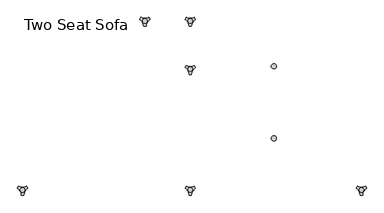
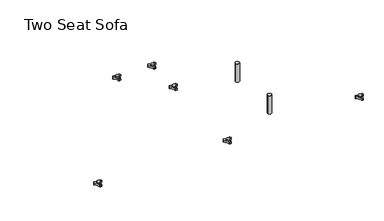
"""IFC4 building model written with IfcOpenShell, lengths in millimetres: furniture geometry, Two Seat Sofa."""

from ifc_helpers import new_model, si_unit, point, frame, frame_2d, origin, origin_with_axes, place, context, project, spatial, polyline, circle_curve, trimmed, segment, composite_curve, outline, extrude, source, transform, mapped, element, save
from ifc_brep_helpers import plane_surface, cylinder_surface, revolved_surface, advanced_brep


def two_seat_sofa_7cf23597(model_context):
    return source(origin(), model_context, "Body", "SolidModel", [
        advanced_brep(
        [(191.4388063, -633.9963447, 98.611642), (187.2162181, -641.3100819, 98.611642), (187.614167, -642.4761133, 98.611642), (203.4334377, -669.8758983, 98.611642), (204.2442712, -670.8035397, 98.611642), (212.6894498, -670.8035397, 98.611642), (213.493978, -669.7137583, 98.611642), (229.5962311, -642.2119553, 98.611642), (229.7175081, -641.3100836, 98.611642), (225.4949182, -633.9963432, 98.611642), (224.2861347, -633.7579584, 98.611642), (192.6475863, -633.7579584, 98.611642), (217.839737, -648.9168654, 98.611642), (198.9347251, -648.9168654, 98.611642), (191.4388063, -633.9963447, 88.6531552), (192.6475863, -633.7579584, 88.6531552), (224.2861347, -633.7579584, 88.6531552), (225.4949182, -633.9963432, 88.6531552), (229.7175081, -641.3100836, 88.6531552), (229.5962311, -642.2119553, 88.6531552), (213.493978, -669.7137583, 88.6531552), (212.6894498, -670.8035397, 88.6531552), (204.2442712, -670.8035397, 88.6531552), (203.4334377, -669.8758983, 88.6531552), (187.614167, -642.4761133, 88.6531552), (187.2162181, -641.3100819, 88.6531552), (198.9347251, -648.9168654, 103.6569541), (217.839737, -648.9168654, 103.6569541)],
        [
            (0, 1, circle_curve(frame((209.6982944, -649.4142898, 98.611642), z_axis=(0.0, 0.0, 1.0), x_axis=(1.0, 0.0, 0.0)), 23.8981576)),
            (1, 2, circle_curve(frame((188.1437767, -641.6444428, 98.611642), z_axis=(0.0, 0.0, 1.0), x_axis=(1.0, 0.0, 0.0)), 0.9859828)),
            (2, 3, circle_curve(frame((169.218797, -671.3632053, 98.611642), z_axis=(0.0, 0.0, -1.0), x_axis=(1.0, 0.0, 0.0)), 34.246952)),
            (3, 4, circle_curve(frame((204.4184811, -669.8330785, 98.611642), z_axis=(0.0, 0.0, 1.0), x_axis=(1.0, 0.0, 0.0)), 0.9859736)),
            (4, 5, circle_curve(frame((208.4668605, -647.2809943, 98.611642), z_axis=(0.0, 0.0, 1.0), x_axis=(1.0, 0.0, 0.0)), 23.8985439)),
            (5, 6, circle_curve(frame((212.5152379, -669.8330671, 98.611642), z_axis=(0.0, 0.0, 1.0), x_axis=(1.0, 0.0, 0.0)), 0.9859852)),
            (6, 7, circle_curve(frame((247.7156517, -671.285662, 98.611642), z_axis=(0.0, 0.0, -1.0), x_axis=(1.0, 0.0, 0.0)), 34.2577557)),
            (7, 8, circle_curve(frame((228.7899467, -641.644442, 98.611642), z_axis=(0.0, 0.0, 1.0), x_axis=(1.0, 0.0, 0.0)), 0.9859847)),
            (8, 9, circle_curve(frame((207.2358178, -649.4140667, 98.611642), z_axis=(0.0, 0.0, 1.0), x_axis=(1.0, 0.0, 0.0)), 23.8977184)),
            (9, 10, circle_curve(frame((224.7415719, -634.632458, 98.611642), z_axis=(0.0, 0.0, 1.0), x_axis=(1.0, 0.0, 0.0)), 0.9859881)),
            (10, 11, circle_curve(frame((208.4668605, -603.3828618, 98.611642), z_axis=(0.0, 0.0, -1.0), x_axis=(1.0, 0.0, 0.0)), 34.2475683)),
            (11, 0, circle_curve(frame((192.1921512, -634.632454, 98.611642), z_axis=(0.0, 0.0, 1.0), x_axis=(1.0, 0.0, 0.0)), 0.9859835)),
            (12, 13, circle_curve(frame((208.3872311, -648.9168654, 98.611642), z_axis=(0.0, 0.0, -1.0), x_axis=(1.0, 0.0, 0.0)), 9.452506)),
            (13, 12, circle_curve(frame((208.3872311, -648.9168654, 98.611642), z_axis=(0.0, 0.0, -1.0), x_axis=(1.0, 0.0, 0.0)), 9.452506)),
            (14, 15, circle_curve(frame((192.1921512, -634.632454, 88.6531552), z_axis=(0.0, 0.0, -1.0), x_axis=(1.0, 0.0, 0.0)), 0.9859835)),
            (15, 16, circle_curve(frame((208.4668605, -603.3828618, 88.6531552), z_axis=(0.0, 0.0, 1.0), x_axis=(1.0, 0.0, 0.0)), 34.2475683)),
            (16, 17, circle_curve(frame((224.7415719, -634.632458, 88.6531552), z_axis=(0.0, 0.0, -1.0), x_axis=(1.0, 0.0, 0.0)), 0.9859881)),
            (17, 18, circle_curve(frame((207.2358178, -649.4140667, 88.6531552), z_axis=(0.0, 0.0, -1.0), x_axis=(1.0, 0.0, 0.0)), 23.8977184)),
            (18, 19, circle_curve(frame((228.7899467, -641.644442, 88.6531552), z_axis=(0.0, 0.0, -1.0), x_axis=(1.0, 0.0, 0.0)), 0.9859847)),
            (19, 20, circle_curve(frame((247.7156517, -671.285662, 88.6531552), z_axis=(0.0, 0.0, 1.0), x_axis=(1.0, 0.0, 0.0)), 34.2577557)),
            (20, 21, circle_curve(frame((212.5152379, -669.8330671, 88.6531552), z_axis=(0.0, 0.0, -1.0), x_axis=(1.0, 0.0, 0.0)), 0.9859852)),
            (21, 22, circle_curve(frame((208.4668605, -647.2809943, 88.6531552), z_axis=(0.0, 0.0, -1.0), x_axis=(1.0, 0.0, 0.0)), 23.8985439)),
            (22, 23, circle_curve(frame((204.4184811, -669.8330785, 88.6531552), z_axis=(0.0, 0.0, -1.0), x_axis=(1.0, 0.0, 0.0)), 0.9859736)),
            (23, 24, circle_curve(frame((169.218797, -671.3632053, 88.6531552), z_axis=(0.0, 0.0, 1.0), x_axis=(1.0, 0.0, 0.0)), 34.246952)),
            (24, 25, circle_curve(frame((188.1437767, -641.6444428, 88.6531552), z_axis=(0.0, 0.0, -1.0), x_axis=(1.0, 0.0, 0.0)), 0.9859828)),
            (25, 14, circle_curve(frame((209.6982944, -649.4142898, 88.6531552), z_axis=(0.0, 0.0, -1.0), x_axis=(1.0, 0.0, 0.0)), 23.8981576)),
            (26, 27, circle_curve(frame((208.3872311, -648.9168654, 103.6569541), z_axis=(0.0, 0.0, 1.0), x_axis=(1.0, 0.0, 0.0)), 9.452506)),
            (27, 26, circle_curve(frame((208.3872311, -648.9168654, 103.6569541), z_axis=(0.0, 0.0, 1.0), x_axis=(1.0, 0.0, 0.0)), 9.452506)),
            (0, 14),
            (25, 1),
            (24, 2),
            (23, 3),
            (22, 4),
            (21, 5),
            (20, 6),
            (19, 7),
            (18, 8),
            (17, 9),
            (16, 10),
            (15, 11),
            (26, 13),
            (12, 27),
        ],
        [
            plane_surface(frame((233.596452, -649.4142898, 98.611642), z_axis=(0.0, 0.0, 1.0), x_axis=(0.0, 1.0, 0.0))),
            plane_surface(frame((233.596452, -649.4142898, 88.6531552), z_axis=(0.0, 0.0, -1.0), x_axis=(0.0, -1.0, 0.0))),
            plane_surface(frame((217.839737, -648.9168654, 103.6569541), z_axis=(0.0, 0.0, 1.0), x_axis=(0.0, 1.0, 0.0))),
            cylinder_surface(frame((209.6982944, -649.4142898, 88.6531552), z_axis=(0.0, 0.0, 1.0), x_axis=(1.0, 0.0, 0.0)), 23.8981576),
            cylinder_surface(frame((188.1437767, -641.6444428, 88.6531552), z_axis=(0.0, 0.0, 1.0), x_axis=(1.0, 0.0, 0.0)), 0.9859828),
            revolved_surface(polyline([(203.465749, -671.3632053, 88.6531552), (203.465749, -671.3632053, 98.611642)]), (169.218797, -671.3632053, 88.6531552), (0.0, 0.0, -1.0)),
            cylinder_surface(frame((204.4184811, -669.8330785, 88.6531552), z_axis=(0.0, 0.0, 1.0), x_axis=(1.0, 0.0, 0.0)), 0.9859736),
            cylinder_surface(frame((208.4668605, -647.2809943, 88.6531552), z_axis=(0.0, 0.0, 1.0), x_axis=(1.0, 0.0, 0.0)), 23.8985439),
            cylinder_surface(frame((212.5152379, -669.8330671, 88.6531552), z_axis=(0.0, 0.0, 1.0), x_axis=(1.0, 0.0, 0.0)), 0.9859852),
            revolved_surface(polyline([(281.9734074, -671.285662, 88.6531552), (281.9734074, -671.285662, 98.611642)]), (247.7156517, -671.285662, 88.6531552), (0.0, 0.0, -1.0)),
            cylinder_surface(frame((228.7899467, -641.644442, 88.6531552), z_axis=(0.0, 0.0, 1.0), x_axis=(1.0, 0.0, 0.0)), 0.9859847),
            cylinder_surface(frame((207.2358178, -649.4140667, 88.6531552), z_axis=(0.0, 0.0, 1.0), x_axis=(1.0, 0.0, 0.0)), 23.8977184),
            cylinder_surface(frame((224.7415719, -634.632458, 88.6531552), z_axis=(0.0, 0.0, 1.0), x_axis=(1.0, 0.0, 0.0)), 0.9859881),
            revolved_surface(polyline([(242.7144288, -603.3828618, 88.6531552), (242.7144288, -603.3828618, 98.611642)]), (208.4668605, -603.3828618, 88.6531552), (0.0, 0.0, -1.0)),
            cylinder_surface(frame((192.1921512, -634.632454, 88.6531552), z_axis=(0.0, 0.0, 1.0), x_axis=(1.0, 0.0, 0.0)), 0.9859835),
            cylinder_surface(frame((208.3872311, -648.9168654, 98.611642), z_axis=(0.0, 0.0, 1.0), x_axis=(1.0, 0.0, 0.0)), 9.452506),
        ],
        [
            (0, [[1, 2, 3, 4, 5, 6, 7, 8, 9, 10, 11, 12], [13, 14]]),
            (1, [[15, 16, 17, 18, 19, 20, 21, 22, 23, 24, 25, 26]]),
            (2, [[27, 28]]),
            (3, [[-1, 29, -26, 30]]),
            (4, [[-2, -30, -25, 31]]),
            (5, [[-3, -31, -24, 32]]),
            (6, [[-4, -32, -23, 33]]),
            (7, [[-5, -33, -22, 34]]),
            (8, [[-6, -34, -21, 35]]),
            (9, [[-7, -35, -20, 36]]),
            (10, [[-8, -36, -19, 37]]),
            (11, [[-9, -37, -18, 38]]),
            (12, [[-10, -38, -17, 39]]),
            (13, [[-11, -39, -16, 40]]),
            (14, [[-12, -40, -15, -29]]),
            (15, [[-27, 41, -13, 42]]),
            (15, [[-28, -42, -14, -41]]),
        ],
    ),
        advanced_brep(
        [(-519.7611937, -633.9963447, 98.611642), (-523.9837819, -641.3100819, 98.611642), (-523.585833, -642.4761133, 98.611642), (-507.7665623, -669.8758983, 98.611642), (-506.9557288, -670.8035397, 98.611642), (-498.5105502, -670.8035397, 98.611642), (-497.706022, -669.7137583, 98.611642), (-481.6037689, -642.2119553, 98.611642), (-481.4824919, -641.3100836, 98.611642), (-485.7050818, -633.9963432, 98.611642), (-486.9138653, -633.7579584, 98.611642), (-518.5524137, -633.7579584, 98.611642), (-493.360263, -648.9168654, 98.611642), (-512.2652749, -648.9168654, 98.611642), (-519.7611937, -633.9963447, 88.6531552), (-518.5524137, -633.7579584, 88.6531552), (-486.9138653, -633.7579584, 88.6531552), (-485.7050818, -633.9963432, 88.6531552), (-481.4824919, -641.3100836, 88.6531552), (-481.6037689, -642.2119553, 88.6531552), (-497.706022, -669.7137583, 88.6531552), (-498.5105502, -670.8035397, 88.6531552), (-506.9557288, -670.8035397, 88.6531552), (-507.7665623, -669.8758983, 88.6531552), (-523.585833, -642.4761133, 88.6531552), (-523.9837819, -641.3100819, 88.6531552), (-512.2652749, -648.9168654, 103.6569541), (-493.360263, -648.9168654, 103.6569541)],
        [
            (0, 1, circle_curve(frame((-501.5017056, -649.4142898, 98.611642), z_axis=(0.0, 0.0, 1.0), x_axis=(1.0, 0.0, 0.0)), 23.8981576)),
            (1, 2, circle_curve(frame((-523.0562233, -641.6444428, 98.611642), z_axis=(0.0, 0.0, 1.0), x_axis=(1.0, 0.0, 0.0)), 0.9859828)),
            (2, 3, circle_curve(frame((-541.981203, -671.3632053, 98.611642), z_axis=(0.0, 0.0, -1.0), x_axis=(1.0, 0.0, 0.0)), 34.246952)),
            (3, 4, circle_curve(frame((-506.7815189, -669.8330785, 98.611642), z_axis=(0.0, 0.0, 1.0), x_axis=(1.0, 0.0, 0.0)), 0.9859736)),
            (4, 5, circle_curve(frame((-502.7331395, -647.2809943, 98.611642), z_axis=(0.0, 0.0, 1.0), x_axis=(1.0, 0.0, 0.0)), 23.8985439)),
            (5, 6, circle_curve(frame((-498.6847621, -669.8330671, 98.611642), z_axis=(0.0, 0.0, 1.0), x_axis=(1.0, 0.0, 0.0)), 0.9859852)),
            (6, 7, circle_curve(frame((-463.4843483, -671.285662, 98.611642), z_axis=(0.0, 0.0, -1.0), x_axis=(1.0, 0.0, 0.0)), 34.2577557)),
            (7, 8, circle_curve(frame((-482.4100533, -641.644442, 98.611642), z_axis=(0.0, 0.0, 1.0), x_axis=(1.0, 0.0, 0.0)), 0.9859847)),
            (8, 9, circle_curve(frame((-503.9641822, -649.4140667, 98.611642), z_axis=(0.0, 0.0, 1.0), x_axis=(1.0, 0.0, 0.0)), 23.8977184)),
            (9, 10, circle_curve(frame((-486.4584281, -634.632458, 98.611642), z_axis=(0.0, 0.0, 1.0), x_axis=(1.0, 0.0, 0.0)), 0.9859881)),
            (10, 11, circle_curve(frame((-502.7331395, -603.3828618, 98.611642), z_axis=(0.0, 0.0, -1.0), x_axis=(1.0, 0.0, 0.0)), 34.2475683)),
            (11, 0, circle_curve(frame((-519.0078488, -634.632454, 98.611642), z_axis=(0.0, 0.0, 1.0), x_axis=(1.0, 0.0, 0.0)), 0.9859835)),
            (12, 13, circle_curve(frame((-502.8127689, -648.9168654, 98.611642), z_axis=(0.0, 0.0, -1.0), x_axis=(1.0, 0.0, 0.0)), 9.452506)),
            (13, 12, circle_curve(frame((-502.8127689, -648.9168654, 98.611642), z_axis=(0.0, 0.0, -1.0), x_axis=(1.0, 0.0, 0.0)), 9.452506)),
            (14, 15, circle_curve(frame((-519.0078488, -634.632454, 88.6531552), z_axis=(0.0, 0.0, -1.0), x_axis=(1.0, 0.0, 0.0)), 0.9859835)),
            (15, 16, circle_curve(frame((-502.7331395, -603.3828618, 88.6531552), z_axis=(0.0, 0.0, 1.0), x_axis=(1.0, 0.0, 0.0)), 34.2475683)),
            (16, 17, circle_curve(frame((-486.4584281, -634.632458, 88.6531552), z_axis=(0.0, 0.0, -1.0), x_axis=(1.0, 0.0, 0.0)), 0.9859881)),
            (17, 18, circle_curve(frame((-503.9641822, -649.4140667, 88.6531552), z_axis=(0.0, 0.0, -1.0), x_axis=(1.0, 0.0, 0.0)), 23.8977184)),
            (18, 19, circle_curve(frame((-482.4100533, -641.644442, 88.6531552), z_axis=(0.0, 0.0, -1.0), x_axis=(1.0, 0.0, 0.0)), 0.9859847)),
            (19, 20, circle_curve(frame((-463.4843483, -671.285662, 88.6531552), z_axis=(0.0, 0.0, 1.0), x_axis=(1.0, 0.0, 0.0)), 34.2577557)),
            (20, 21, circle_curve(frame((-498.6847621, -669.8330671, 88.6531552), z_axis=(0.0, 0.0, -1.0), x_axis=(1.0, 0.0, 0.0)), 0.9859852)),
            (21, 22, circle_curve(frame((-502.7331395, -647.2809943, 88.6531552), z_axis=(0.0, 0.0, -1.0), x_axis=(1.0, 0.0, 0.0)), 23.8985439)),
            (22, 23, circle_curve(frame((-506.7815189, -669.8330785, 88.6531552), z_axis=(0.0, 0.0, -1.0), x_axis=(1.0, 0.0, 0.0)), 0.9859736)),
            (23, 24, circle_curve(frame((-541.981203, -671.3632053, 88.6531552), z_axis=(0.0, 0.0, 1.0), x_axis=(1.0, 0.0, 0.0)), 34.246952)),
            (24, 25, circle_curve(frame((-523.0562233, -641.6444428, 88.6531552), z_axis=(0.0, 0.0, -1.0), x_axis=(1.0, 0.0, 0.0)), 0.9859828)),
            (25, 14, circle_curve(frame((-501.5017056, -649.4142898, 88.6531552), z_axis=(0.0, 0.0, -1.0), x_axis=(1.0, 0.0, 0.0)), 23.8981576)),
            (26, 27, circle_curve(frame((-502.8127689, -648.9168654, 103.6569541), z_axis=(0.0, 0.0, 1.0), x_axis=(1.0, 0.0, 0.0)), 9.452506)),
            (27, 26, circle_curve(frame((-502.8127689, -648.9168654, 103.6569541), z_axis=(0.0, 0.0, 1.0), x_axis=(1.0, 0.0, 0.0)), 9.452506)),
            (0, 14),
            (25, 1),
            (24, 2),
            (23, 3),
            (22, 4),
            (21, 5),
            (20, 6),
            (19, 7),
            (18, 8),
            (17, 9),
            (16, 10),
            (15, 11),
            (26, 13),
            (12, 27),
        ],
        [
            plane_surface(frame((-477.603548, -649.4142898, 98.611642), z_axis=(0.0, 0.0, 1.0), x_axis=(0.0, 1.0, 0.0))),
            plane_surface(frame((-477.603548, -649.4142898, 88.6531552), z_axis=(0.0, 0.0, -1.0), x_axis=(0.0, -1.0, 0.0))),
            plane_surface(frame((-493.360263, -648.9168654, 103.6569541), z_axis=(0.0, 0.0, 1.0), x_axis=(0.0, 1.0, 0.0))),
            cylinder_surface(frame((-501.5017056, -649.4142898, 88.6531552), z_axis=(0.0, 0.0, 1.0), x_axis=(1.0, 0.0, 0.0)), 23.8981576),
            cylinder_surface(frame((-523.0562233, -641.6444428, 88.6531552), z_axis=(0.0, 0.0, 1.0), x_axis=(1.0, 0.0, 0.0)), 0.9859828),
            revolved_surface(polyline([(-507.73425100000003, -671.3632053, 88.6531552), (-507.73425100000003, -671.3632053, 98.611642)]), (-541.981203, -671.3632053, 88.6531552), (0.0, 0.0, -1.0)),
            cylinder_surface(frame((-506.7815189, -669.8330785, 88.6531552), z_axis=(0.0, 0.0, 1.0), x_axis=(1.0, 0.0, 0.0)), 0.9859736),
            cylinder_surface(frame((-502.7331395, -647.2809943, 88.6531552), z_axis=(0.0, 0.0, 1.0), x_axis=(1.0, 0.0, 0.0)), 23.8985439),
            cylinder_surface(frame((-498.6847621, -669.8330671, 88.6531552), z_axis=(0.0, 0.0, 1.0), x_axis=(1.0, 0.0, 0.0)), 0.9859852),
            revolved_surface(polyline([(-429.2265926, -671.285662, 88.6531552), (-429.2265926, -671.285662, 98.611642)]), (-463.4843483, -671.285662, 88.6531552), (0.0, 0.0, -1.0)),
            cylinder_surface(frame((-482.4100533, -641.644442, 88.6531552), z_axis=(0.0, 0.0, 1.0), x_axis=(1.0, 0.0, 0.0)), 0.9859847),
            cylinder_surface(frame((-503.9641822, -649.4140667, 88.6531552), z_axis=(0.0, 0.0, 1.0), x_axis=(1.0, 0.0, 0.0)), 23.8977184),
            cylinder_surface(frame((-486.4584281, -634.632458, 88.6531552), z_axis=(0.0, 0.0, 1.0), x_axis=(1.0, 0.0, 0.0)), 0.9859881),
            revolved_surface(polyline([(-468.4855712, -603.3828618, 88.6531552), (-468.4855712, -603.3828618, 98.611642)]), (-502.7331395, -603.3828618, 88.6531552), (0.0, 0.0, -1.0)),
            cylinder_surface(frame((-519.0078488, -634.632454, 88.6531552), z_axis=(0.0, 0.0, 1.0), x_axis=(1.0, 0.0, 0.0)), 0.9859835),
            cylinder_surface(frame((-502.8127689, -648.9168654, 98.611642), z_axis=(0.0, 0.0, 1.0), x_axis=(1.0, 0.0, 0.0)), 9.452506),
        ],
        [
            (0, [[1, 2, 3, 4, 5, 6, 7, 8, 9, 10, 11, 12], [13, 14]]),
            (1, [[15, 16, 17, 18, 19, 20, 21, 22, 23, 24, 25, 26]]),
            (2, [[27, 28]]),
            (3, [[-1, 29, -26, 30]]),
            (4, [[-2, -30, -25, 31]]),
            (5, [[-3, -31, -24, 32]]),
            (6, [[-4, -32, -23, 33]]),
            (7, [[-5, -33, -22, 34]]),
            (8, [[-6, -34, -21, 35]]),
            (9, [[-7, -35, -20, 36]]),
            (10, [[-8, -36, -19, 37]]),
            (11, [[-9, -37, -18, 38]]),
            (12, [[-10, -38, -17, 39]]),
            (13, [[-11, -39, -16, 40]]),
            (14, [[-12, -40, -15, -29]]),
            (15, [[-27, 41, -13, 42]]),
            (15, [[-28, -42, -14, -41]]),
        ],
    ),
        advanced_brep(
        [(-519.7611937, -130.2721038, 98.611642), (-523.9837819, -137.585841, 98.611642), (-523.585833, -138.7518724, 98.611642), (-507.7665623, -166.1516574, 98.611642), (-506.9557288, -167.0792988, 98.611642), (-498.5105502, -167.0792988, 98.611642), (-497.706022, -165.9895174, 98.611642), (-481.6037689, -138.4877144, 98.611642), (-481.4824919, -137.5858427, 98.611642), (-485.7050818, -130.2721023, 98.611642), (-486.9138653, -130.0337175, 98.611642), (-518.5524137, -130.0337175, 98.611642), (-493.360263, -145.1926245, 98.611642), (-512.2652749, -145.1926245, 98.611642), (-519.7611937, -130.2721038, 88.6531552), (-518.5524137, -130.0337175, 88.6531552), (-486.9138653, -130.0337175, 88.6531552), (-485.7050818, -130.2721023, 88.6531552), (-481.4824919, -137.5858427, 88.6531552), (-481.6037689, -138.4877144, 88.6531552), (-497.706022, -165.9895174, 88.6531552), (-498.5105502, -167.0792988, 88.6531552), (-506.9557288, -167.0792988, 88.6531552), (-507.7665623, -166.1516574, 88.6531552), (-523.585833, -138.7518724, 88.6531552), (-523.9837819, -137.585841, 88.6531552), (-512.2652749, -145.1926245, 103.6569541), (-493.360263, -145.1926245, 103.6569541)],
        [
            (0, 1, circle_curve(frame((-501.5017056, -145.690049, 98.611642), z_axis=(0.0, 0.0, 1.0), x_axis=(1.0, 0.0, 0.0)), 23.8981576)),
            (1, 2, circle_curve(frame((-523.0562233, -137.920202, 98.611642), z_axis=(0.0, 0.0, 1.0), x_axis=(1.0, 0.0, 0.0)), 0.9859828)),
            (2, 3, circle_curve(frame((-541.981203, -167.6389644, 98.611642), z_axis=(0.0, 0.0, -1.0), x_axis=(1.0, 0.0, 0.0)), 34.246952)),
            (3, 4, circle_curve(frame((-506.7815189, -166.1088376, 98.611642), z_axis=(0.0, 0.0, 1.0), x_axis=(1.0, 0.0, 0.0)), 0.9859736)),
            (4, 5, circle_curve(frame((-502.7331395, -143.5567534, 98.611642), z_axis=(0.0, 0.0, 1.0), x_axis=(1.0, 0.0, 0.0)), 23.8985439)),
            (5, 6, circle_curve(frame((-498.6847621, -166.1088262, 98.611642), z_axis=(0.0, 0.0, 1.0), x_axis=(1.0, 0.0, 0.0)), 0.9859852)),
            (6, 7, circle_curve(frame((-463.4843483, -167.5614211, 98.611642), z_axis=(0.0, 0.0, -1.0), x_axis=(1.0, 0.0, 0.0)), 34.2577557)),
            (7, 8, circle_curve(frame((-482.4100533, -137.9202011, 98.611642), z_axis=(0.0, 0.0, 1.0), x_axis=(1.0, 0.0, 0.0)), 0.9859847)),
            (8, 9, circle_curve(frame((-503.9641822, -145.6898258, 98.611642), z_axis=(0.0, 0.0, 1.0), x_axis=(1.0, 0.0, 0.0)), 23.8977184)),
            (9, 10, circle_curve(frame((-486.4584281, -130.9082171, 98.611642), z_axis=(0.0, 0.0, 1.0), x_axis=(1.0, 0.0, 0.0)), 0.9859881)),
            (10, 11, circle_curve(frame((-502.7331395, -99.6586209, 98.611642), z_axis=(0.0, 0.0, -1.0), x_axis=(1.0, 0.0, 0.0)), 34.2475683)),
            (11, 0, circle_curve(frame((-519.0078488, -130.9082131, 98.611642), z_axis=(0.0, 0.0, 1.0), x_axis=(1.0, 0.0, 0.0)), 0.9859835)),
            (12, 13, circle_curve(frame((-502.8127689, -145.1926245, 98.611642), z_axis=(0.0, 0.0, -1.0), x_axis=(1.0, 0.0, 0.0)), 9.452506)),
            (13, 12, circle_curve(frame((-502.8127689, -145.1926245, 98.611642), z_axis=(0.0, 0.0, -1.0), x_axis=(1.0, 0.0, 0.0)), 9.452506)),
            (14, 15, circle_curve(frame((-519.0078488, -130.9082131, 88.6531552), z_axis=(0.0, 0.0, -1.0), x_axis=(1.0, 0.0, 0.0)), 0.9859835)),
            (15, 16, circle_curve(frame((-502.7331395, -99.6586209, 88.6531552), z_axis=(0.0, 0.0, 1.0), x_axis=(1.0, 0.0, 0.0)), 34.2475683)),
            (16, 17, circle_curve(frame((-486.4584281, -130.9082171, 88.6531552), z_axis=(0.0, 0.0, -1.0), x_axis=(1.0, 0.0, 0.0)), 0.9859881)),
            (17, 18, circle_curve(frame((-503.9641822, -145.6898258, 88.6531552), z_axis=(0.0, 0.0, -1.0), x_axis=(1.0, 0.0, 0.0)), 23.8977184)),
            (18, 19, circle_curve(frame((-482.4100533, -137.9202011, 88.6531552), z_axis=(0.0, 0.0, -1.0), x_axis=(1.0, 0.0, 0.0)), 0.9859847)),
            (19, 20, circle_curve(frame((-463.4843483, -167.5614211, 88.6531552), z_axis=(0.0, 0.0, 1.0), x_axis=(1.0, 0.0, 0.0)), 34.2577557)),
            (20, 21, circle_curve(frame((-498.6847621, -166.1088262, 88.6531552), z_axis=(0.0, 0.0, -1.0), x_axis=(1.0, 0.0, 0.0)), 0.9859852)),
            (21, 22, circle_curve(frame((-502.7331395, -143.5567534, 88.6531552), z_axis=(0.0, 0.0, -1.0), x_axis=(1.0, 0.0, 0.0)), 23.8985439)),
            (22, 23, circle_curve(frame((-506.7815189, -166.1088376, 88.6531552), z_axis=(0.0, 0.0, -1.0), x_axis=(1.0, 0.0, 0.0)), 0.9859736)),
            (23, 24, circle_curve(frame((-541.981203, -167.6389644, 88.6531552), z_axis=(0.0, 0.0, 1.0), x_axis=(1.0, 0.0, 0.0)), 34.246952)),
            (24, 25, circle_curve(frame((-523.0562233, -137.920202, 88.6531552), z_axis=(0.0, 0.0, -1.0), x_axis=(1.0, 0.0, 0.0)), 0.9859828)),
            (25, 14, circle_curve(frame((-501.5017056, -145.690049, 88.6531552), z_axis=(0.0, 0.0, -1.0), x_axis=(1.0, 0.0, 0.0)), 23.8981576)),
            (26, 27, circle_curve(frame((-502.8127689, -145.1926245, 103.6569541), z_axis=(0.0, 0.0, 1.0), x_axis=(1.0, 0.0, 0.0)), 9.452506)),
            (27, 26, circle_curve(frame((-502.8127689, -145.1926245, 103.6569541), z_axis=(0.0, 0.0, 1.0), x_axis=(1.0, 0.0, 0.0)), 9.452506)),
            (0, 14),
            (25, 1),
            (24, 2),
            (23, 3),
            (22, 4),
            (21, 5),
            (20, 6),
            (19, 7),
            (18, 8),
            (17, 9),
            (16, 10),
            (15, 11),
            (26, 13),
            (12, 27),
        ],
        [
            plane_surface(frame((-477.603548, -145.690049, 98.611642), z_axis=(0.0, 0.0, 1.0), x_axis=(0.0, 1.0, 0.0))),
            plane_surface(frame((-477.603548, -145.690049, 88.6531552), z_axis=(0.0, 0.0, -1.0), x_axis=(0.0, -1.0, 0.0))),
            plane_surface(frame((-493.360263, -145.1926245, 103.6569541), z_axis=(0.0, 0.0, 1.0), x_axis=(0.0, 1.0, 0.0))),
            cylinder_surface(frame((-501.5017056, -145.690049, 88.6531552), z_axis=(0.0, 0.0, 1.0), x_axis=(1.0, 0.0, 0.0)), 23.8981576),
            cylinder_surface(frame((-523.0562233, -137.920202, 88.6531552), z_axis=(0.0, 0.0, 1.0), x_axis=(1.0, 0.0, 0.0)), 0.9859828),
            revolved_surface(polyline([(-507.73425100000003, -167.6389644, 88.6531552), (-507.73425100000003, -167.6389644, 98.611642)]), (-541.981203, -167.6389644, 88.6531552), (0.0, 0.0, -1.0)),
            cylinder_surface(frame((-506.7815189, -166.1088376, 88.6531552), z_axis=(0.0, 0.0, 1.0), x_axis=(1.0, 0.0, 0.0)), 0.9859736),
            cylinder_surface(frame((-502.7331395, -143.5567534, 88.6531552), z_axis=(0.0, 0.0, 1.0), x_axis=(1.0, 0.0, 0.0)), 23.8985439),
            cylinder_surface(frame((-498.6847621, -166.1088262, 88.6531552), z_axis=(0.0, 0.0, 1.0), x_axis=(1.0, 0.0, 0.0)), 0.9859852),
            revolved_surface(polyline([(-429.2265926, -167.5614211, 88.6531552), (-429.2265926, -167.5614211, 98.611642)]), (-463.4843483, -167.5614211, 88.6531552), (0.0, 0.0, -1.0)),
            cylinder_surface(frame((-482.4100533, -137.9202011, 88.6531552), z_axis=(0.0, 0.0, 1.0), x_axis=(1.0, 0.0, 0.0)), 0.9859847),
            cylinder_surface(frame((-503.9641822, -145.6898258, 88.6531552), z_axis=(0.0, 0.0, 1.0), x_axis=(1.0, 0.0, 0.0)), 23.8977184),
            cylinder_surface(frame((-486.4584281, -130.9082171, 88.6531552), z_axis=(0.0, 0.0, 1.0), x_axis=(1.0, 0.0, 0.0)), 0.9859881),
            revolved_surface(polyline([(-468.4855712, -99.6586209, 88.6531552), (-468.4855712, -99.6586209, 98.611642)]), (-502.7331395, -99.6586209, 88.6531552), (0.0, 0.0, -1.0)),
            cylinder_surface(frame((-519.0078488, -130.9082131, 88.6531552), z_axis=(0.0, 0.0, 1.0), x_axis=(1.0, 0.0, 0.0)), 0.9859835),
            cylinder_surface(frame((-502.8127689, -145.1926245, 98.611642), z_axis=(0.0, 0.0, 1.0), x_axis=(1.0, 0.0, 0.0)), 9.452506),
        ],
        [
            (0, [[1, 2, 3, 4, 5, 6, 7, 8, 9, 10, 11, 12], [13, 14]]),
            (1, [[15, 16, 17, 18, 19, 20, 21, 22, 23, 24, 25, 26]]),
            (2, [[27, 28]]),
            (3, [[-1, 29, -26, 30]]),
            (4, [[-2, -30, -25, 31]]),
            (5, [[-3, -31, -24, 32]]),
            (6, [[-4, -32, -23, 33]]),
            (7, [[-5, -33, -22, 34]]),
            (8, [[-6, -34, -21, 35]]),
            (9, [[-7, -35, -20, 36]]),
            (10, [[-8, -36, -19, 37]]),
            (11, [[-9, -37, -18, 38]]),
            (12, [[-10, -38, -17, 39]]),
            (13, [[-11, -39, -16, 40]]),
            (14, [[-12, -40, -15, -29]]),
            (15, [[-27, 41, -13, 42]]),
            (15, [[-28, -42, -14, -41]]),
        ],
    ),
        advanced_brep(
        [(-519.7611937, 69.7278978, 98.611642), (-523.9837819, 62.4141605, 98.611642), (-523.585833, 61.2481292, 98.611642), (-507.7665623, 33.8483441, 98.611642), (-506.9557288, 32.9207027, 98.611642), (-498.5105502, 32.9207027, 98.611642), (-497.706022, 34.0104841, 98.611642), (-481.6037689, 61.5122871, 98.611642), (-481.4824919, 62.4141588, 98.611642), (-485.7050818, 69.7278992, 98.611642), (-486.9138653, 69.966284, 98.611642), (-518.5524137, 69.966284, 98.611642), (-493.360263, 54.807377, 98.611642), (-512.2652749, 54.807377, 98.611642), (-519.7611937, 69.7278978, 88.6531552), (-518.5524137, 69.966284, 88.6531552), (-486.9138653, 69.966284, 88.6531552), (-485.7050818, 69.7278992, 88.6531552), (-481.4824919, 62.4141588, 88.6531552), (-481.6037689, 61.5122871, 88.6531552), (-497.706022, 34.0104841, 88.6531552), (-498.5105502, 32.9207027, 88.6531552), (-506.9557288, 32.9207027, 88.6531552), (-507.7665623, 33.8483441, 88.6531552), (-523.585833, 61.2481292, 88.6531552), (-523.9837819, 62.4141605, 88.6531552), (-512.2652749, 54.807377, 103.6569541), (-493.360263, 54.807377, 103.6569541)],
        [
            (0, 1, circle_curve(frame((-501.5017056, 54.3099526, 98.611642), z_axis=(0.0, 0.0, 1.0), x_axis=(1.0, 0.0, 0.0)), 23.8981576)),
            (1, 2, circle_curve(frame((-523.0562233, 62.0797996, 98.611642), z_axis=(0.0, 0.0, 1.0), x_axis=(1.0, 0.0, 0.0)), 0.9859828)),
            (2, 3, circle_curve(frame((-541.981203, 32.3610372, 98.611642), z_axis=(0.0, 0.0, -1.0), x_axis=(1.0, 0.0, 0.0)), 34.246952)),
            (3, 4, circle_curve(frame((-506.7815189, 33.8911639, 98.611642), z_axis=(0.0, 0.0, 1.0), x_axis=(1.0, 0.0, 0.0)), 0.9859736)),
            (4, 5, circle_curve(frame((-502.7331395, 56.4432481, 98.611642), z_axis=(0.0, 0.0, 1.0), x_axis=(1.0, 0.0, 0.0)), 23.8985439)),
            (5, 6, circle_curve(frame((-498.6847621, 33.8911753, 98.611642), z_axis=(0.0, 0.0, 1.0), x_axis=(1.0, 0.0, 0.0)), 0.9859852)),
            (6, 7, circle_curve(frame((-463.4843483, 32.4385804, 98.611642), z_axis=(0.0, 0.0, -1.0), x_axis=(1.0, 0.0, 0.0)), 34.2577557)),
            (7, 8, circle_curve(frame((-482.4100533, 62.0798004, 98.611642), z_axis=(0.0, 0.0, 1.0), x_axis=(1.0, 0.0, 0.0)), 0.9859847)),
            (8, 9, circle_curve(frame((-503.9641822, 54.3101757, 98.611642), z_axis=(0.0, 0.0, 1.0), x_axis=(1.0, 0.0, 0.0)), 23.8977184)),
            (9, 10, circle_curve(frame((-486.4584281, 69.0917844, 98.611642), z_axis=(0.0, 0.0, 1.0), x_axis=(1.0, 0.0, 0.0)), 0.9859881)),
            (10, 11, circle_curve(frame((-502.7331395, 100.3413806, 98.611642), z_axis=(0.0, 0.0, -1.0), x_axis=(1.0, 0.0, 0.0)), 34.2475683)),
            (11, 0, circle_curve(frame((-519.0078488, 69.0917885, 98.611642), z_axis=(0.0, 0.0, 1.0), x_axis=(1.0, 0.0, 0.0)), 0.9859835)),
            (12, 13, circle_curve(frame((-502.8127689, 54.807377, 98.611642), z_axis=(0.0, 0.0, -1.0), x_axis=(1.0, 0.0, 0.0)), 9.452506)),
            (13, 12, circle_curve(frame((-502.8127689, 54.807377, 98.611642), z_axis=(0.0, 0.0, -1.0), x_axis=(1.0, 0.0, 0.0)), 9.452506)),
            (14, 15, circle_curve(frame((-519.0078488, 69.0917885, 88.6531552), z_axis=(0.0, 0.0, -1.0), x_axis=(1.0, 0.0, 0.0)), 0.9859835)),
            (15, 16, circle_curve(frame((-502.7331395, 100.3413806, 88.6531552), z_axis=(0.0, 0.0, 1.0), x_axis=(1.0, 0.0, 0.0)), 34.2475683)),
            (16, 17, circle_curve(frame((-486.4584281, 69.0917844, 88.6531552), z_axis=(0.0, 0.0, -1.0), x_axis=(1.0, 0.0, 0.0)), 0.9859881)),
            (17, 18, circle_curve(frame((-503.9641822, 54.3101757, 88.6531552), z_axis=(0.0, 0.0, -1.0), x_axis=(1.0, 0.0, 0.0)), 23.8977184)),
            (18, 19, circle_curve(frame((-482.4100533, 62.0798004, 88.6531552), z_axis=(0.0, 0.0, -1.0), x_axis=(1.0, 0.0, 0.0)), 0.9859847)),
            (19, 20, circle_curve(frame((-463.4843483, 32.4385804, 88.6531552), z_axis=(0.0, 0.0, 1.0), x_axis=(1.0, 0.0, 0.0)), 34.2577557)),
            (20, 21, circle_curve(frame((-498.6847621, 33.8911753, 88.6531552), z_axis=(0.0, 0.0, -1.0), x_axis=(1.0, 0.0, 0.0)), 0.9859852)),
            (21, 22, circle_curve(frame((-502.7331395, 56.4432481, 88.6531552), z_axis=(0.0, 0.0, -1.0), x_axis=(1.0, 0.0, 0.0)), 23.8985439)),
            (22, 23, circle_curve(frame((-506.7815189, 33.8911639, 88.6531552), z_axis=(0.0, 0.0, -1.0), x_axis=(1.0, 0.0, 0.0)), 0.9859736)),
            (23, 24, circle_curve(frame((-541.981203, 32.3610372, 88.6531552), z_axis=(0.0, 0.0, 1.0), x_axis=(1.0, 0.0, 0.0)), 34.246952)),
            (24, 25, circle_curve(frame((-523.0562233, 62.0797996, 88.6531552), z_axis=(0.0, 0.0, -1.0), x_axis=(1.0, 0.0, 0.0)), 0.9859828)),
            (25, 14, circle_curve(frame((-501.5017056, 54.3099526, 88.6531552), z_axis=(0.0, 0.0, -1.0), x_axis=(1.0, 0.0, 0.0)), 23.8981576)),
            (26, 27, circle_curve(frame((-502.8127689, 54.807377, 103.6569541), z_axis=(0.0, 0.0, 1.0), x_axis=(1.0, 0.0, 0.0)), 9.452506)),
            (27, 26, circle_curve(frame((-502.8127689, 54.807377, 103.6569541), z_axis=(0.0, 0.0, 1.0), x_axis=(1.0, 0.0, 0.0)), 9.452506)),
            (0, 14),
            (25, 1),
            (24, 2),
            (23, 3),
            (22, 4),
            (21, 5),
            (20, 6),
            (19, 7),
            (18, 8),
            (17, 9),
            (16, 10),
            (15, 11),
            (26, 13),
            (12, 27),
        ],
        [
            plane_surface(frame((-477.603548, 54.3099526, 98.611642), z_axis=(0.0, 0.0, 1.0), x_axis=(0.0, 1.0, 0.0))),
            plane_surface(frame((-477.603548, 54.3099526, 88.6531552), z_axis=(0.0, 0.0, -1.0), x_axis=(0.0, -1.0, 0.0))),
            plane_surface(frame((-493.360263, 54.807377, 103.6569541), z_axis=(0.0, 0.0, 1.0), x_axis=(0.0, 1.0, 0.0))),
            cylinder_surface(frame((-501.5017056, 54.3099526, 88.6531552), z_axis=(0.0, 0.0, 1.0), x_axis=(1.0, 0.0, 0.0)), 23.8981576),
            cylinder_surface(frame((-523.0562233, 62.0797996, 88.6531552), z_axis=(0.0, 0.0, 1.0), x_axis=(1.0, 0.0, 0.0)), 0.9859828),
            revolved_surface(polyline([(-507.73425100000003, 32.3610372, 88.6531552), (-507.73425100000003, 32.3610372, 98.611642)]), (-541.981203, 32.3610372, 88.6531552), (0.0, 0.0, -1.0)),
            cylinder_surface(frame((-506.7815189, 33.8911639, 88.6531552), z_axis=(0.0, 0.0, 1.0), x_axis=(1.0, 0.0, 0.0)), 0.9859736),
            cylinder_surface(frame((-502.7331395, 56.4432481, 88.6531552), z_axis=(0.0, 0.0, 1.0), x_axis=(1.0, 0.0, 0.0)), 23.8985439),
            cylinder_surface(frame((-498.6847621, 33.8911753, 88.6531552), z_axis=(0.0, 0.0, 1.0), x_axis=(1.0, 0.0, 0.0)), 0.9859852),
            revolved_surface(polyline([(-429.2265926, 32.4385804, 88.6531552), (-429.2265926, 32.4385804, 98.611642)]), (-463.4843483, 32.4385804, 88.6531552), (0.0, 0.0, -1.0)),
            cylinder_surface(frame((-482.4100533, 62.0798004, 88.6531552), z_axis=(0.0, 0.0, 1.0), x_axis=(1.0, 0.0, 0.0)), 0.9859847),
            cylinder_surface(frame((-503.9641822, 54.3101757, 88.6531552), z_axis=(0.0, 0.0, 1.0), x_axis=(1.0, 0.0, 0.0)), 23.8977184),
            cylinder_surface(frame((-486.4584281, 69.0917844, 88.6531552), z_axis=(0.0, 0.0, 1.0), x_axis=(1.0, 0.0, 0.0)), 0.9859881),
            revolved_surface(polyline([(-468.4855712, 100.3413806, 88.6531552), (-468.4855712, 100.3413806, 98.611642)]), (-502.7331395, 100.3413806, 88.6531552), (0.0, 0.0, -1.0)),
            cylinder_surface(frame((-519.0078488, 69.0917885, 88.6531552), z_axis=(0.0, 0.0, 1.0), x_axis=(1.0, 0.0, 0.0)), 0.9859835),
            cylinder_surface(frame((-502.8127689, 54.807377, 98.611642), z_axis=(0.0, 0.0, 1.0), x_axis=(1.0, 0.0, 0.0)), 9.452506),
        ],
        [
            (0, [[1, 2, 3, 4, 5, 6, 7, 8, 9, 10, 11, 12], [13, 14]]),
            (1, [[15, 16, 17, 18, 19, 20, 21, 22, 23, 24, 25, 26]]),
            (2, [[27, 28]]),
            (3, [[-1, 29, -26, 30]]),
            (4, [[-2, -30, -25, 31]]),
            (5, [[-3, -31, -24, 32]]),
            (6, [[-4, -32, -23, 33]]),
            (7, [[-5, -33, -22, 34]]),
            (8, [[-6, -34, -21, 35]]),
            (9, [[-7, -35, -20, 36]]),
            (10, [[-8, -36, -19, 37]]),
            (11, [[-9, -37, -18, 38]]),
            (12, [[-10, -38, -17, 39]]),
            (13, [[-11, -39, -16, 40]]),
            (14, [[-12, -40, -15, -29]]),
            (15, [[-27, 41, -13, 42]]),
            (15, [[-28, -42, -14, -41]]),
        ],
    ),
        advanced_brep(
        [(-708.6567178, 69.7278978, 98.611642), (-712.879306, 62.4141605, 98.611642), (-712.4813572, 61.2481292, 98.611642), (-696.6620864, 33.8483441, 98.611642), (-695.8512529, 32.9207027, 98.611642), (-687.4060744, 32.9207027, 98.611642), (-686.6015461, 34.0104841, 98.611642), (-670.4992931, 61.5122871, 98.611642), (-670.378016, 62.4141588, 98.611642), (-674.600606, 69.7278992, 98.611642), (-675.8093894, 69.966284, 98.611642), (-707.4479379, 69.966284, 98.611642), (-682.2557871, 54.807377, 98.611642), (-701.160799, 54.807377, 98.611642), (-708.6567178, 69.7278978, 88.6531552), (-707.4479379, 69.966284, 88.6531552), (-675.8093894, 69.966284, 88.6531552), (-674.600606, 69.7278992, 88.6531552), (-670.378016, 62.4141588, 88.6531552), (-670.4992931, 61.5122871, 88.6531552), (-686.6015461, 34.0104841, 88.6531552), (-687.4060744, 32.9207027, 88.6531552), (-695.8512529, 32.9207027, 88.6531552), (-696.6620864, 33.8483441, 88.6531552), (-712.4813572, 61.2481292, 88.6531552), (-712.879306, 62.4141605, 88.6531552), (-701.160799, 54.807377, 103.6569541), (-682.2557871, 54.807377, 103.6569541)],
        [
            (0, 1, circle_curve(frame((-690.3972298, 54.3099526, 98.611642), z_axis=(0.0, 0.0, 1.0), x_axis=(1.0, 0.0, 0.0)), 23.8981576)),
            (1, 2, circle_curve(frame((-711.9517474, 62.0797996, 98.611642), z_axis=(0.0, 0.0, 1.0), x_axis=(1.0, 0.0, 0.0)), 0.9859828)),
            (2, 3, circle_curve(frame((-730.8767271, 32.3610372, 98.611642), z_axis=(0.0, 0.0, -1.0), x_axis=(1.0, 0.0, 0.0)), 34.246952)),
            (3, 4, circle_curve(frame((-695.6770431, 33.8911639, 98.611642), z_axis=(0.0, 0.0, 1.0), x_axis=(1.0, 0.0, 0.0)), 0.9859736)),
            (4, 5, circle_curve(frame((-691.6286636, 56.4432481, 98.611642), z_axis=(0.0, 0.0, 1.0), x_axis=(1.0, 0.0, 0.0)), 23.8985439)),
            (5, 6, circle_curve(frame((-687.5802862, 33.8911753, 98.611642), z_axis=(0.0, 0.0, 1.0), x_axis=(1.0, 0.0, 0.0)), 0.9859852)),
            (6, 7, circle_curve(frame((-652.3798725, 32.4385804, 98.611642), z_axis=(0.0, 0.0, -1.0), x_axis=(1.0, 0.0, 0.0)), 34.2577557)),
            (7, 8, circle_curve(frame((-671.3055775, 62.0798004, 98.611642), z_axis=(0.0, 0.0, 1.0), x_axis=(1.0, 0.0, 0.0)), 0.9859847)),
            (8, 9, circle_curve(frame((-692.8597064, 54.3101757, 98.611642), z_axis=(0.0, 0.0, 1.0), x_axis=(1.0, 0.0, 0.0)), 23.8977184)),
            (9, 10, circle_curve(frame((-675.3539522, 69.0917844, 98.611642), z_axis=(0.0, 0.0, 1.0), x_axis=(1.0, 0.0, 0.0)), 0.9859881)),
            (10, 11, circle_curve(frame((-691.6286636, 100.3413806, 98.611642), z_axis=(0.0, 0.0, -1.0), x_axis=(1.0, 0.0, 0.0)), 34.2475683)),
            (11, 0, circle_curve(frame((-707.9033729, 69.0917885, 98.611642), z_axis=(0.0, 0.0, 1.0), x_axis=(1.0, 0.0, 0.0)), 0.9859835)),
            (12, 13, circle_curve(frame((-691.7082931, 54.807377, 98.611642), z_axis=(0.0, 0.0, -1.0), x_axis=(1.0, 0.0, 0.0)), 9.452506)),
            (13, 12, circle_curve(frame((-691.7082931, 54.807377, 98.611642), z_axis=(0.0, 0.0, -1.0), x_axis=(1.0, 0.0, 0.0)), 9.452506)),
            (14, 15, circle_curve(frame((-707.9033729, 69.0917885, 88.6531552), z_axis=(0.0, 0.0, -1.0), x_axis=(1.0, 0.0, 0.0)), 0.9859835)),
            (15, 16, circle_curve(frame((-691.6286636, 100.3413806, 88.6531552), z_axis=(0.0, 0.0, 1.0), x_axis=(1.0, 0.0, 0.0)), 34.2475683)),
            (16, 17, circle_curve(frame((-675.3539522, 69.0917844, 88.6531552), z_axis=(0.0, 0.0, -1.0), x_axis=(1.0, 0.0, 0.0)), 0.9859881)),
            (17, 18, circle_curve(frame((-692.8597064, 54.3101757, 88.6531552), z_axis=(0.0, 0.0, -1.0), x_axis=(1.0, 0.0, 0.0)), 23.8977184)),
            (18, 19, circle_curve(frame((-671.3055775, 62.0798004, 88.6531552), z_axis=(0.0, 0.0, -1.0), x_axis=(1.0, 0.0, 0.0)), 0.9859847)),
            (19, 20, circle_curve(frame((-652.3798725, 32.4385804, 88.6531552), z_axis=(0.0, 0.0, 1.0), x_axis=(1.0, 0.0, 0.0)), 34.2577557)),
            (20, 21, circle_curve(frame((-687.5802862, 33.8911753, 88.6531552), z_axis=(0.0, 0.0, -1.0), x_axis=(1.0, 0.0, 0.0)), 0.9859852)),
            (21, 22, circle_curve(frame((-691.6286636, 56.4432481, 88.6531552), z_axis=(0.0, 0.0, -1.0), x_axis=(1.0, 0.0, 0.0)), 23.8985439)),
            (22, 23, circle_curve(frame((-695.6770431, 33.8911639, 88.6531552), z_axis=(0.0, 0.0, -1.0), x_axis=(1.0, 0.0, 0.0)), 0.9859736)),
            (23, 24, circle_curve(frame((-730.8767271, 32.3610372, 88.6531552), z_axis=(0.0, 0.0, 1.0), x_axis=(1.0, 0.0, 0.0)), 34.246952)),
            (24, 25, circle_curve(frame((-711.9517474, 62.0797996, 88.6531552), z_axis=(0.0, 0.0, -1.0), x_axis=(1.0, 0.0, 0.0)), 0.9859828)),
            (25, 14, circle_curve(frame((-690.3972298, 54.3099526, 88.6531552), z_axis=(0.0, 0.0, -1.0), x_axis=(1.0, 0.0, 0.0)), 23.8981576)),
            (26, 27, circle_curve(frame((-691.7082931, 54.807377, 103.6569541), z_axis=(0.0, 0.0, 1.0), x_axis=(1.0, 0.0, 0.0)), 9.452506)),
            (27, 26, circle_curve(frame((-691.7082931, 54.807377, 103.6569541), z_axis=(0.0, 0.0, 1.0), x_axis=(1.0, 0.0, 0.0)), 9.452506)),
            (0, 14),
            (25, 1),
            (24, 2),
            (23, 3),
            (22, 4),
            (21, 5),
            (20, 6),
            (19, 7),
            (18, 8),
            (17, 9),
            (16, 10),
            (15, 11),
            (26, 13),
            (12, 27),
        ],
        [
            plane_surface(frame((-666.4990722, 54.3099526, 98.611642), z_axis=(0.0, 0.0, 1.0), x_axis=(0.0, 1.0, 0.0))),
            plane_surface(frame((-666.4990722, 54.3099526, 88.6531552), z_axis=(0.0, 0.0, -1.0), x_axis=(0.0, -1.0, 0.0))),
            plane_surface(frame((-682.2557871, 54.807377, 103.6569541), z_axis=(0.0, 0.0, 1.0), x_axis=(0.0, 1.0, 0.0))),
            cylinder_surface(frame((-690.3972298, 54.3099526, 88.6531552), z_axis=(0.0, 0.0, 1.0), x_axis=(1.0, 0.0, 0.0)), 23.8981576),
            cylinder_surface(frame((-711.9517474, 62.0797996, 88.6531552), z_axis=(0.0, 0.0, 1.0), x_axis=(1.0, 0.0, 0.0)), 0.9859828),
            revolved_surface(polyline([(-696.6297751000001, 32.3610372, 88.6531552), (-696.6297751000001, 32.3610372, 98.611642)]), (-730.8767271, 32.3610372, 88.6531552), (0.0, 0.0, -1.0)),
            cylinder_surface(frame((-695.6770431, 33.8911639, 88.6531552), z_axis=(0.0, 0.0, 1.0), x_axis=(1.0, 0.0, 0.0)), 0.9859736),
            cylinder_surface(frame((-691.6286636, 56.4432481, 88.6531552), z_axis=(0.0, 0.0, 1.0), x_axis=(1.0, 0.0, 0.0)), 23.8985439),
            cylinder_surface(frame((-687.5802862, 33.8911753, 88.6531552), z_axis=(0.0, 0.0, 1.0), x_axis=(1.0, 0.0, 0.0)), 0.9859852),
            revolved_surface(polyline([(-618.1221168000001, 32.4385804, 88.6531552), (-618.1221168000001, 32.4385804, 98.611642)]), (-652.3798725, 32.4385804, 88.6531552), (0.0, 0.0, -1.0)),
            cylinder_surface(frame((-671.3055775, 62.0798004, 88.6531552), z_axis=(0.0, 0.0, 1.0), x_axis=(1.0, 0.0, 0.0)), 0.9859847),
            cylinder_surface(frame((-692.8597064, 54.3101757, 88.6531552), z_axis=(0.0, 0.0, 1.0), x_axis=(1.0, 0.0, 0.0)), 23.8977184),
            cylinder_surface(frame((-675.3539522, 69.0917844, 88.6531552), z_axis=(0.0, 0.0, 1.0), x_axis=(1.0, 0.0, 0.0)), 0.9859881),
            revolved_surface(polyline([(-657.3810953, 100.3413806, 88.6531552), (-657.3810953, 100.3413806, 98.611642)]), (-691.6286636, 100.3413806, 88.6531552), (0.0, 0.0, -1.0)),
            cylinder_surface(frame((-707.9033729, 69.0917885, 88.6531552), z_axis=(0.0, 0.0, 1.0), x_axis=(1.0, 0.0, 0.0)), 0.9859835),
            cylinder_surface(frame((-691.7082931, 54.807377, 98.611642), z_axis=(0.0, 0.0, 1.0), x_axis=(1.0, 0.0, 0.0)), 9.452506),
        ],
        [
            (0, [[1, 2, 3, 4, 5, 6, 7, 8, 9, 10, 11, 12], [13, 14]]),
            (1, [[15, 16, 17, 18, 19, 20, 21, 22, 23, 24, 25, 26]]),
            (2, [[27, 28]]),
            (3, [[-1, 29, -26, 30]]),
            (4, [[-2, -30, -25, 31]]),
            (5, [[-3, -31, -24, 32]]),
            (6, [[-4, -32, -23, 33]]),
            (7, [[-5, -33, -22, 34]]),
            (8, [[-6, -34, -21, 35]]),
            (9, [[-7, -35, -20, 36]]),
            (10, [[-8, -36, -19, 37]]),
            (11, [[-9, -37, -18, 38]]),
            (12, [[-10, -38, -17, 39]]),
            (13, [[-11, -39, -16, 40]]),
            (14, [[-12, -40, -15, -29]]),
            (15, [[-27, 41, -13, 42]]),
            (15, [[-28, -42, -14, -41]]),
        ],
    ),
        advanced_brep(
        [(-1216.6567178, -633.9963447, 98.6365961), (-1220.879306, -641.3100819, 98.6365961), (-1220.4813572, -642.4761133, 98.6365961), (-1204.6620864, -669.8758983, 98.6365961), (-1203.8512529, -670.8035397, 98.6365961), (-1195.4060744, -670.8035397, 98.6365961), (-1194.6015461, -669.7137583, 98.6365961), (-1178.4992931, -642.2119553, 98.6365961), (-1178.378016, -641.3100836, 98.6365961), (-1182.600606, -633.9963432, 98.6365961), (-1183.8093894, -633.7579584, 98.6365961), (-1215.4479379, -633.7579584, 98.6365961), (-1190.2557871, -648.9168654, 98.6365961), (-1209.160799, -648.9168654, 98.6365961), (-1216.6567178, -633.9963447, 88.6781094), (-1215.4479379, -633.7579584, 88.6781094), (-1183.8093894, -633.7579584, 88.6781094), (-1182.600606, -633.9963432, 88.6781094), (-1178.378016, -641.3100836, 88.6781094), (-1178.4992931, -642.2119553, 88.6781094), (-1194.6015461, -669.7137583, 88.6781094), (-1195.4060744, -670.8035397, 88.6781094), (-1203.8512529, -670.8035397, 88.6781094), (-1204.6620864, -669.8758983, 88.6781094), (-1220.4813572, -642.4761133, 88.6781094), (-1220.879306, -641.3100819, 88.6781094), (-1209.160799, -648.9168654, 103.6819083), (-1190.2557871, -648.9168654, 103.6819083)],
        [
            (0, 1, circle_curve(frame((-1198.3972298, -649.4142898, 98.6365961), z_axis=(0.0, 0.0, 1.0), x_axis=(1.0, 0.0, 0.0)), 23.8981576)),
            (1, 2, circle_curve(frame((-1219.9517474, -641.6444428, 98.6365961), z_axis=(0.0, 0.0, 1.0), x_axis=(1.0, 0.0, 0.0)), 0.9859828)),
            (2, 3, circle_curve(frame((-1238.8767271, -671.3632053, 98.6365961), z_axis=(0.0, 0.0, -1.0), x_axis=(1.0, 0.0, 0.0)), 34.246952)),
            (3, 4, circle_curve(frame((-1203.6770431, -669.8330785, 98.6365961), z_axis=(0.0, 0.0, 1.0), x_axis=(1.0, 0.0, 0.0)), 0.9859736)),
            (4, 5, circle_curve(frame((-1199.6286636, -647.2809943, 98.6365961), z_axis=(0.0, 0.0, 1.0), x_axis=(1.0, 0.0, 0.0)), 23.8985439)),
            (5, 6, circle_curve(frame((-1195.5802862, -669.8330671, 98.6365961), z_axis=(0.0, 0.0, 1.0), x_axis=(1.0, 0.0, 0.0)), 0.9859852)),
            (6, 7, circle_curve(frame((-1160.3798725, -671.285662, 98.6365961), z_axis=(0.0, 0.0, -1.0), x_axis=(1.0, 0.0, 0.0)), 34.2577557)),
            (7, 8, circle_curve(frame((-1179.3055775, -641.644442, 98.6365961), z_axis=(0.0, 0.0, 1.0), x_axis=(1.0, 0.0, 0.0)), 0.9859847)),
            (8, 9, circle_curve(frame((-1200.8597064, -649.4140667, 98.6365961), z_axis=(0.0, 0.0, 1.0), x_axis=(1.0, 0.0, 0.0)), 23.8977184)),
            (9, 10, circle_curve(frame((-1183.3539522, -634.632458, 98.6365961), z_axis=(0.0, 0.0, 1.0), x_axis=(1.0, 0.0, 0.0)), 0.9859881)),
            (10, 11, circle_curve(frame((-1199.6286636, -603.3828618, 98.6365961), z_axis=(0.0, 0.0, -1.0), x_axis=(1.0, 0.0, 0.0)), 34.2475683)),
            (11, 0, circle_curve(frame((-1215.9033729, -634.632454, 98.6365961), z_axis=(0.0, 0.0, 1.0), x_axis=(1.0, 0.0, 0.0)), 0.9859835)),
            (12, 13, circle_curve(frame((-1199.7082931, -648.9168654, 98.6365961), z_axis=(0.0, 0.0, -1.0), x_axis=(1.0, 0.0, 0.0)), 9.452506)),
            (13, 12, circle_curve(frame((-1199.7082931, -648.9168654, 98.6365961), z_axis=(0.0, 0.0, -1.0), x_axis=(1.0, 0.0, 0.0)), 9.452506)),
            (14, 15, circle_curve(frame((-1215.9033729, -634.632454, 88.6781094), z_axis=(0.0, 0.0, -1.0), x_axis=(1.0, 0.0, 0.0)), 0.9859835)),
            (15, 16, circle_curve(frame((-1199.6286636, -603.3828618, 88.6781094), z_axis=(0.0, 0.0, 1.0), x_axis=(1.0, 0.0, 0.0)), 34.2475683)),
            (16, 17, circle_curve(frame((-1183.3539522, -634.632458, 88.6781094), z_axis=(0.0, 0.0, -1.0), x_axis=(1.0, 0.0, 0.0)), 0.9859881)),
            (17, 18, circle_curve(frame((-1200.8597064, -649.4140667, 88.6781094), z_axis=(0.0, 0.0, -1.0), x_axis=(1.0, 0.0, 0.0)), 23.8977184)),
            (18, 19, circle_curve(frame((-1179.3055775, -641.644442, 88.6781094), z_axis=(0.0, 0.0, -1.0), x_axis=(1.0, 0.0, 0.0)), 0.9859847)),
            (19, 20, circle_curve(frame((-1160.3798725, -671.285662, 88.6781094), z_axis=(0.0, 0.0, 1.0), x_axis=(1.0, 0.0, 0.0)), 34.2577557)),
            (20, 21, circle_curve(frame((-1195.5802862, -669.8330671, 88.6781094), z_axis=(0.0, 0.0, -1.0), x_axis=(1.0, 0.0, 0.0)), 0.9859852)),
            (21, 22, circle_curve(frame((-1199.6286636, -647.2809943, 88.6781094), z_axis=(0.0, 0.0, -1.0), x_axis=(1.0, 0.0, 0.0)), 23.8985439)),
            (22, 23, circle_curve(frame((-1203.6770431, -669.8330785, 88.6781094), z_axis=(0.0, 0.0, -1.0), x_axis=(1.0, 0.0, 0.0)), 0.9859736)),
            (23, 24, circle_curve(frame((-1238.8767271, -671.3632053, 88.6781094), z_axis=(0.0, 0.0, 1.0), x_axis=(1.0, 0.0, 0.0)), 34.246952)),
            (24, 25, circle_curve(frame((-1219.9517474, -641.6444428, 88.6781094), z_axis=(0.0, 0.0, -1.0), x_axis=(1.0, 0.0, 0.0)), 0.9859828)),
            (25, 14, circle_curve(frame((-1198.3972298, -649.4142898, 88.6781094), z_axis=(0.0, 0.0, -1.0), x_axis=(1.0, 0.0, 0.0)), 23.8981576)),
            (26, 27, circle_curve(frame((-1199.7082931, -648.9168654, 103.6819083), z_axis=(0.0, 0.0, 1.0), x_axis=(1.0, 0.0, 0.0)), 9.452506)),
            (27, 26, circle_curve(frame((-1199.7082931, -648.9168654, 103.6819083), z_axis=(0.0, 0.0, 1.0), x_axis=(1.0, 0.0, 0.0)), 9.452506)),
            (0, 14),
            (25, 1),
            (24, 2),
            (23, 3),
            (22, 4),
            (21, 5),
            (20, 6),
            (19, 7),
            (18, 8),
            (17, 9),
            (16, 10),
            (15, 11),
            (26, 13),
            (12, 27),
        ],
        [
            plane_surface(frame((-1174.4990722, -649.4142898, 98.6365961), z_axis=(0.0, 0.0, 1.0), x_axis=(0.0, 1.0, 0.0))),
            plane_surface(frame((-1174.4990722, -649.4142898, 88.6781094), z_axis=(0.0, 0.0, -1.0), x_axis=(0.0, -1.0, 0.0))),
            plane_surface(frame((-1190.2557871, -648.9168654, 103.6819083), z_axis=(0.0, 0.0, 1.0), x_axis=(0.0, 1.0, 0.0))),
            cylinder_surface(frame((-1198.3972298, -649.4142898, 88.6781094), z_axis=(0.0, 0.0, 1.0), x_axis=(1.0, 0.0, 0.0)), 23.8981576),
            cylinder_surface(frame((-1219.9517474, -641.6444428, 88.6781094), z_axis=(0.0, 0.0, 1.0), x_axis=(1.0, 0.0, 0.0)), 0.9859828),
            revolved_surface(polyline([(-1204.6297751, -671.3632053, 88.6781094), (-1204.6297751, -671.3632053, 98.6365961)]), (-1238.8767271, -671.3632053, 88.6781094), (0.0, 0.0, -1.0)),
            cylinder_surface(frame((-1203.6770431, -669.8330785, 88.6781094), z_axis=(0.0, 0.0, 1.0), x_axis=(1.0, 0.0, 0.0)), 0.9859736),
            cylinder_surface(frame((-1199.6286636, -647.2809943, 88.6781094), z_axis=(0.0, 0.0, 1.0), x_axis=(1.0, 0.0, 0.0)), 23.8985439),
            cylinder_surface(frame((-1195.5802862, -669.8330671, 88.6781094), z_axis=(0.0, 0.0, 1.0), x_axis=(1.0, 0.0, 0.0)), 0.9859852),
            revolved_surface(polyline([(-1126.1221168, -671.285662, 88.6781094), (-1126.1221168, -671.285662, 98.6365961)]), (-1160.3798725, -671.285662, 88.6781094), (0.0, 0.0, -1.0)),
            cylinder_surface(frame((-1179.3055775, -641.644442, 88.6781094), z_axis=(0.0, 0.0, 1.0), x_axis=(1.0, 0.0, 0.0)), 0.9859847),
            cylinder_surface(frame((-1200.8597064, -649.4140667, 88.6781094), z_axis=(0.0, 0.0, 1.0), x_axis=(1.0, 0.0, 0.0)), 23.8977184),
            cylinder_surface(frame((-1183.3539522, -634.632458, 88.6781094), z_axis=(0.0, 0.0, 1.0), x_axis=(1.0, 0.0, 0.0)), 0.9859881),
            revolved_surface(polyline([(-1165.3810953, -603.3828618, 88.6781094), (-1165.3810953, -603.3828618, 98.6365961)]), (-1199.6286636, -603.3828618, 88.6781094), (0.0, 0.0, -1.0)),
            cylinder_surface(frame((-1215.9033729, -634.632454, 88.6781094), z_axis=(0.0, 0.0, 1.0), x_axis=(1.0, 0.0, 0.0)), 0.9859835),
            cylinder_surface(frame((-1199.7082931, -648.9168654, 98.6365961), z_axis=(0.0, 0.0, 1.0), x_axis=(1.0, 0.0, 0.0)), 9.452506),
        ],
        [
            (0, [[1, 2, 3, 4, 5, 6, 7, 8, 9, 10, 11, 12], [13, 14]]),
            (1, [[15, 16, 17, 18, 19, 20, 21, 22, 23, 24, 25, 26]]),
            (2, [[27, 28]]),
            (3, [[-1, 29, -26, 30]]),
            (4, [[-2, -30, -25, 31]]),
            (5, [[-3, -31, -24, 32]]),
            (6, [[-4, -32, -23, 33]]),
            (7, [[-5, -33, -22, 34]]),
            (8, [[-6, -34, -21, 35]]),
            (9, [[-7, -35, -20, 36]]),
            (10, [[-8, -36, -19, 37]]),
            (11, [[-9, -37, -18, 38]]),
            (12, [[-10, -38, -17, 39]]),
            (13, [[-11, -39, -16, 40]]),
            (14, [[-12, -40, -15, -29]]),
            (15, [[-27, 41, -13, 42]]),
            (15, [[-28, -42, -14, -41]]),
        ],
    ),
        extrude(outline(composite_curve([segment(trimmed(circle_curve(frame_2d((-155.4452882, -433.7002937)), 10.4664203), [point((-165.9117085, -433.7002937))], [point((-144.9788678, -433.7002937))], False, "CARTESIAN"), True, "CONTINUOUS"), segment(trimmed(circle_curve(frame_2d((-155.4452882, -433.7002937)), 10.4664203), [point((-144.9788678, -433.7002937))], [point((-165.9117085, -433.7002937))], False, "CARTESIAN"), True, "CONTINUOUS")], self_intersect=False)), origin_with_axes(), (0.0, 0.0, 1.0), 103.6569541),
        extrude(outline(composite_curve([segment(trimmed(circle_curve(frame_2d((-155.4452882, -133.6667163)), 10.4664203), [point((-165.9117085, -133.6667163))], [point((-144.9788678, -133.6667163))], False, "CARTESIAN"), True, "CONTINUOUS"), segment(trimmed(circle_curve(frame_2d((-155.4452882, -133.6667163)), 10.4664203), [point((-144.9788678, -133.6667163))], [point((-165.9117085, -133.6667163))], False, "CARTESIAN"), True, "CONTINUOUS")], self_intersect=False)), origin_with_axes(), (0.0, 0.0, 1.0), 103.6569541),
    ])


if __name__ == "__main__":
    model = new_model("IFC4")
    model_context = context("Model", 3, world=origin())
    ifc_project = project(units=[si_unit("LENGTHUNIT", "METRE", prefix="MILLI")], contexts=[model_context])
    site = spatial("IfcSite", under=ifc_project)
    building = spatial("IfcBuilding", under=site)
    placement = place(None, origin())
    two_seat_sofa_shape = two_seat_sofa_7cf23597(model_context)
    element("IfcFurniture", 1, ObjectType="Two Seat Sofa", at=placement, inside=building, context=model_context, shape_type="MappedRepresentation", body=[
        mapped(two_seat_sofa_shape, transform((0.0, 0.0, 0.0), x_axis=(1.0, 0.0, 0.0), y_axis=(0.0, 1.0, 0.0), z_axis=(0.0, 0.0, 1.0))),
    ])
    save(model, "model.ifc")
